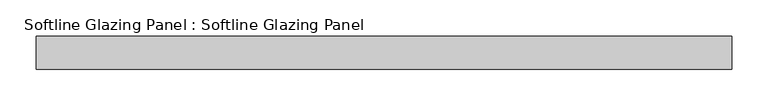
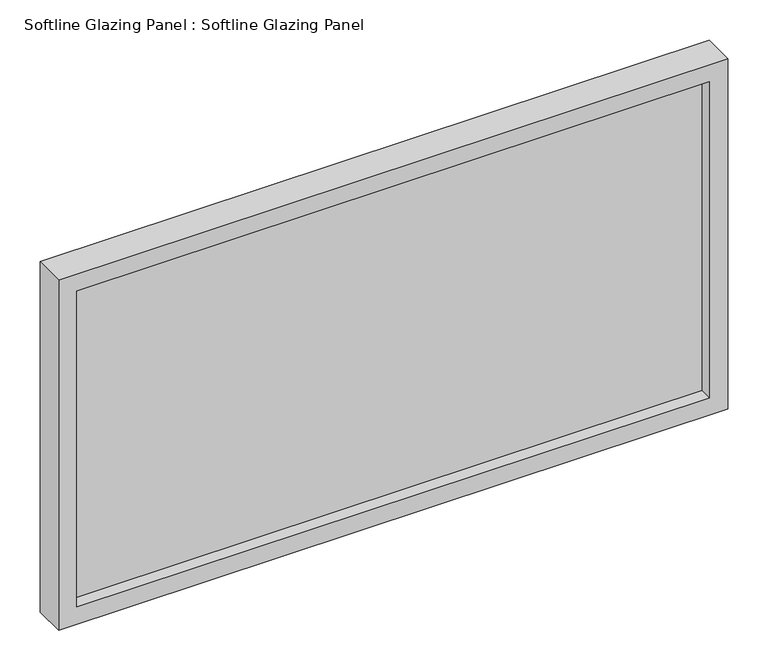
"""IFC4 building model written with IfcOpenShell, lengths in millimetres: plate geometry, Softline Glazing Panel : Softline Glazing Panel."""

from ifc_helpers import new_model, si_unit, frame, origin, place, context, project, spatial, polyline, outline, extrude, faceted_brep, source, transform, mapped, element, save


def softline_glazing_panel_softline_glazing_panel_21c201e8(model_context):
    return source(origin(), model_context, "Body", "SolidModel", [
        extrude(outline(polyline([(461.0, 4.0), (461.0, -4.0), (-461.0, -4.0), (-461.0, 4.0), (461.0, 4.0)])), frame((0.0, 0.0, 16.0), z_axis=(0.0, 0.0, 1.0), x_axis=(1.0, 0.0, 0.0)), (0.0, 0.0, 1.0), 496.804515),
        faceted_brep([(451.0, 4.0, 26.0), (451.0, 22.5, 26.0), (-451.0, 22.5, 26.0), (-451.0, 4.0, 26.0), (461.0, -4.0, 16.0), (461.0, 4.0, 16.0), (-461.0, 4.0, 16.0), (-461.0, -4.0, 16.0), (451.0, -22.5, 26.0), (451.0, -4.0, 26.0), (-451.0, -4.0, 26.0), (-451.0, -22.5, 26.0), (477.0, 22.5, 0.0), (477.0, -22.5, 0.0), (-477.0, -22.5, 0.0), (-477.0, 22.5, 0.0), (-451.0, 22.5, 502.804515), (-451.0, 4.0, 502.804515), (-461.0, 4.0, 512.804515), (-461.0, -4.0, 512.804515), (-451.0, -4.0, 502.804515), (-451.0, -22.5, 502.804515), (-477.0, -22.5, 528.804515), (-477.0, 22.5, 528.804515), (451.0, 22.5, 502.804515), (451.0, 4.0, 502.804515), (461.0, 4.0, 512.804515), (461.0, -4.0, 512.804515), (451.0, -4.0, 502.804515), (451.0, -22.5, 502.804515), (477.0, -22.5, 528.804515), (477.0, 22.5, 528.804515)], [[[0, 1, 2, 3]], [[4, 5, 6, 7]], [[8, 9, 10, 11]], [[12, 13, 14, 15]], [[3, 2, 16, 17]], [[7, 6, 18, 19]], [[11, 10, 20, 21]], [[15, 14, 22, 23]], [[17, 16, 24, 25]], [[19, 18, 26, 27]], [[21, 20, 28, 29]], [[23, 22, 30, 31]], [[15, 23, 31, 12], [1, 24, 16, 2]], [[25, 24, 1, 0]], [[5, 26, 18, 6], [3, 17, 25, 0]], [[27, 26, 5, 4]], [[7, 19, 27, 4], [9, 28, 20, 10]], [[29, 28, 9, 8]], [[13, 30, 22, 14], [11, 21, 29, 8]], [[31, 30, 13, 12]]]),
    ])


if __name__ == "__main__":
    model = new_model("IFC4")
    model_context = context("Model", 3, world=origin())
    ifc_project = project(units=[si_unit("LENGTHUNIT", "METRE", prefix="MILLI")], contexts=[model_context])
    site = spatial("IfcSite", under=ifc_project)
    building = spatial("IfcBuilding", under=site)
    placement = place(None, origin())
    softline_glazing_panel_softline_glazing_panel_shape = softline_glazing_panel_softline_glazing_panel_21c201e8(model_context)
    element("IfcPlate", 1, ObjectType="Softline Glazing Panel : Softline Glazing Panel", at=placement, inside=building, context=model_context, shape_type="MappedRepresentation", body=[
        mapped(softline_glazing_panel_softline_glazing_panel_shape, transform((0.0, 0.0, 0.0), x_axis=(1.0, 0.0, 0.0), y_axis=(0.0, 1.0, 0.0), z_axis=(0.0, 0.0, 1.0))),
    ])
    save(model, "model.ifc")
